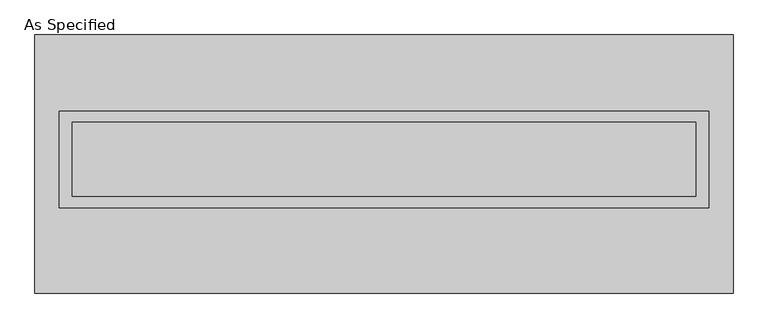
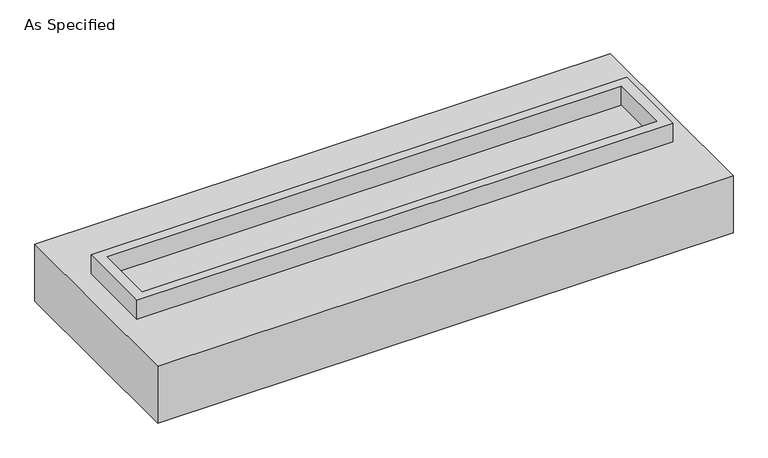
"""IFC4 building model written with IfcOpenShell, lengths in millimetres: proxy geometry, As Specified."""

from ifc_helpers import new_model, si_unit, frame, origin, place, context, project, spatial, polyline, outline, extrude, faceted_brep, source, transform, mapped, element, save


def as_specified_1780509d(model_context):
    return source(origin(), model_context, "Body", "SolidModel", [
        extrude(outline(polyline([(2222.5, 361.95), (2222.5, -298.45), (-2222.5, -298.45), (-2222.5, 361.95), (2222.5, 361.95)]), holes=[polyline([(2133.6, 285.75), (-2133.6, 285.75), (-2133.6, -222.25), (2133.6, -222.25), (2133.6, 285.75)])]), frame((0.0, 0.0, -25.4), z_axis=(0.0, 0.0, 1.0), x_axis=(1.0, 0.0, 0.0)), (0.0, 0.0, 1.0), 165.1),
        extrude(outline(polyline([(2133.6, 285.75), (2133.6, -222.25), (-2133.6, -222.25), (-2133.6, 285.75), (2133.6, 285.75)])), frame((0.0, 0.0, -30.3609375), z_axis=(0.0, 0.0, 1.0), x_axis=(1.0, 0.0, 0.0)), (0.0, 0.0, 1.0), 4.9609375),
        faceted_brep([(2387.6, -882.65, -523.875), (-2387.6, -882.65, -523.875), (-2387.6, 882.65, -523.875), (2387.6, 882.65, -523.875), (2387.6, 882.65, -25.4), (-2387.6, 882.65, -25.4), (-2387.6, -882.65, -25.4), (2387.6, -882.65, -25.4), (2222.5, 361.95, -25.4), (2222.5, -298.45, -25.4), (-2222.5, -298.45, -25.4), (-2222.5, 361.95, -25.4), (2222.5, 361.95, -498.475), (-2222.5, 361.95, -498.475), (-2222.5, -298.45, -498.475), (2222.5, -298.45, -498.475)], [[[0, 1, 2, 3]], [[4, 5, 6, 7], [8, 9, 10, 11]], [[3, 2, 5, 4]], [[2, 1, 6, 5]], [[0, 3, 4, 7]], [[12, 13, 14, 15]], [[14, 13, 11, 10]], [[13, 12, 8, 11]], [[12, 15, 9, 8]], [[10, 9, 15, 14]], [[1, 0, 7, 6]]]),
    ])


if __name__ == "__main__":
    model = new_model("IFC4")
    model_context = context("Model", 3, world=origin())
    ifc_project = project(units=[si_unit("LENGTHUNIT", "METRE", prefix="MILLI")], contexts=[model_context])
    site = spatial("IfcSite", under=ifc_project)
    building = spatial("IfcBuilding", under=site)
    placement = place(None, origin())
    as_specified_shape = as_specified_1780509d(model_context)
    element("IfcBuildingElementProxy", 1, Name="As Specified", ObjectType="As Specified", at=placement, inside=building, context=model_context, shape_type="MappedRepresentation", body=[
        mapped(as_specified_shape, transform((0.0, 0.0, 0.0), x_axis=(1.0, 0.0, 0.0), y_axis=(0.0, 1.0, 0.0), z_axis=(0.0, 0.0, 1.0))),
    ])
    save(model, "model.ifc")
